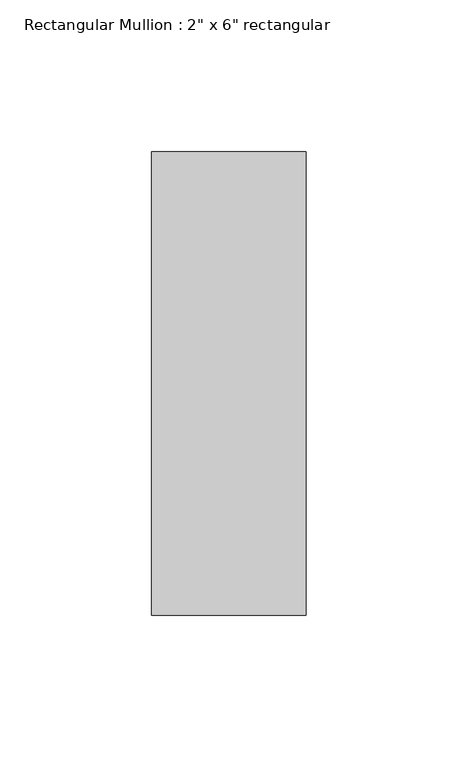
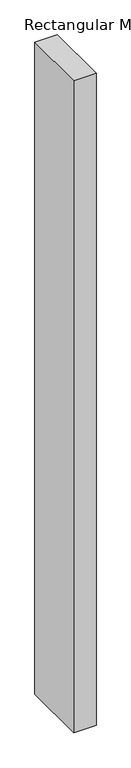
"""IFC4 building model written with IfcOpenShell, lengths in millimetres: member geometry."""

from ifc_helpers import new_model, si_unit, frame, origin, place, context, project, spatial, polyline, outline, extrude, source, transform, mapped, element, save


def member_df0fa75e(model_context):
    return source(origin(), model_context, "Body", "SweptSolid", [
        extrude(outline(polyline([(25.4, 76.2), (25.4, -76.2), (-25.4, -76.2), (-25.4, 76.2), (25.4, 76.2)])), frame((0.0, 0.0, -1564.64), z_axis=(0.0, 0.0, 1.0), x_axis=(1.0, 0.0, 0.0)), (0.0, 0.0, 1.0), 1564.64),
    ])


if __name__ == "__main__":
    model = new_model("IFC4")
    model_context = context("Model", 3, world=origin())
    ifc_project = project(units=[si_unit("LENGTHUNIT", "METRE", prefix="MILLI")], contexts=[model_context])
    site = spatial("IfcSite", under=ifc_project)
    building = spatial("IfcBuilding", under=site)
    placement = place(None, origin())
    member_shape = member_df0fa75e(model_context)
    element("IfcMember", 1, ObjectType="Rectangular Mullion : 2\" x 6\" rectangular", at=placement, inside=building, context=model_context, shape_type="MappedRepresentation", body=[
        mapped(member_shape, transform((0.0, 0.0, 0.0), x_axis=(1.0, 0.0, 0.0), y_axis=(0.0, 1.0, 0.0), z_axis=(0.0, 0.0, 1.0))),
    ])
    save(model, "model.ifc")
